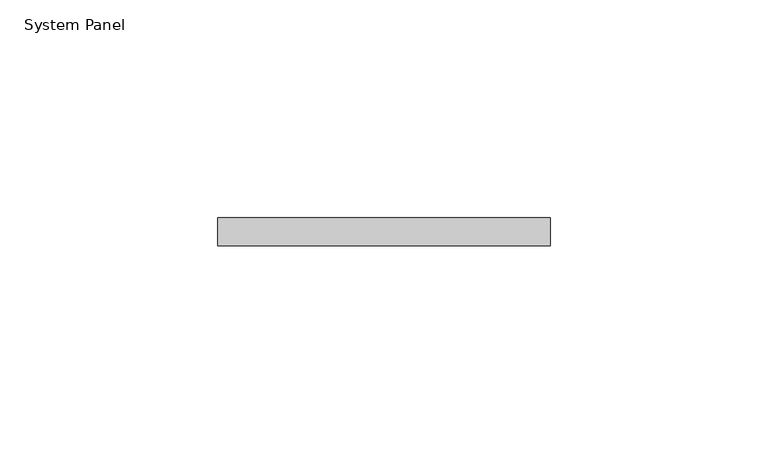
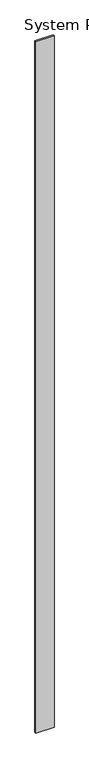
"""IFC4 building model written with IfcOpenShell, lengths in millimetres: plate geometry, System Panel."""

from ifc_helpers import new_model, si_unit, origin, origin_with_axes, place, context, project, spatial, polyline, outline, extrude, source, transform, mapped, element, save


def system_panel_a9aa9d17(model_context):
    return source(origin(), model_context, "Body", "SweptSolid", [
        extrude(outline(polyline([(38.1, 0.0), (-38.1, 0.0), (-38.1, 6.35), (38.1, 6.35), (38.1, 0.0)])), origin_with_axes(), (0.0, 0.0, 1.0), 3048.0),
    ])


if __name__ == "__main__":
    model = new_model("IFC4")
    model_context = context("Model", 3, world=origin())
    ifc_project = project(units=[si_unit("LENGTHUNIT", "METRE", prefix="MILLI")], contexts=[model_context])
    site = spatial("IfcSite", under=ifc_project)
    building = spatial("IfcBuilding", under=site)
    placement = place(None, origin())
    system_panel_shape = system_panel_a9aa9d17(model_context)
    element("IfcPlate", 1, ObjectType="System Panel", at=placement, inside=building, context=model_context, shape_type="MappedRepresentation", body=[
        mapped(system_panel_shape, transform((0.0, 0.0, 0.0), x_axis=(1.0, 0.0, 0.0), y_axis=(0.0, 1.0, 0.0), z_axis=(0.0, 0.0, 1.0))),
    ])
    save(model, "model.ifc")
